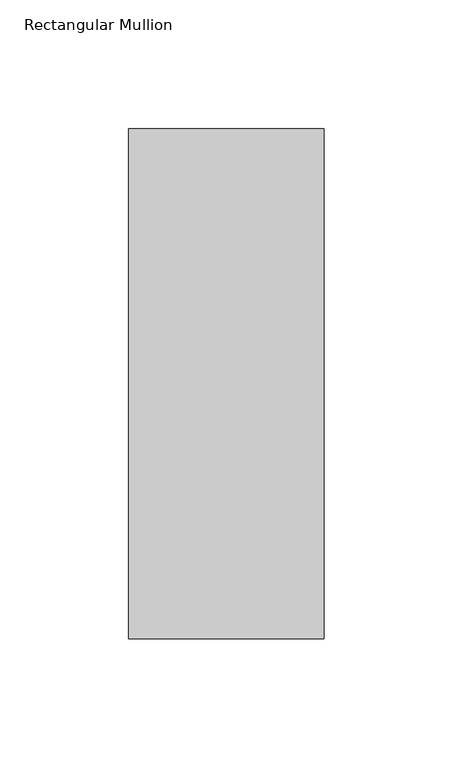
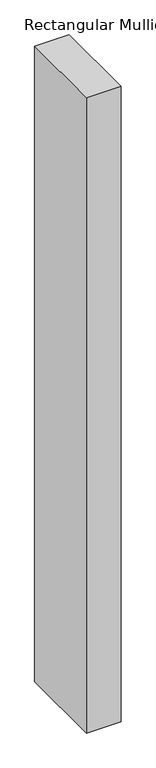
"""IFC4 building model written with IfcOpenShell, lengths in millimetres: member geometry, Rectangular Mullion."""

from ifc_helpers import new_model, si_unit, frame, origin, place, context, project, spatial, polyline, outline, extrude, source, transform, mapped, element, save


def rectangular_mullion_2b2b6ec8(model_context):
    return source(origin(), model_context, "Body", "SweptSolid", [
        extrude(outline(polyline([(38.1, -156.36875), (-38.1, -156.36875), (-38.1, 42.06875), (38.1, 42.06875), (38.1, -156.36875)])), frame((0.0, 0.0, -1485.9), z_axis=(0.0, 0.0, 1.0), x_axis=(1.0, 0.0, 0.0)), (0.0, 0.0, 1.0), 1485.9),
    ])


if __name__ == "__main__":
    model = new_model("IFC4")
    model_context = context("Model", 3, world=origin())
    ifc_project = project(units=[si_unit("LENGTHUNIT", "METRE", prefix="MILLI")], contexts=[model_context])
    site = spatial("IfcSite", under=ifc_project)
    building = spatial("IfcBuilding", under=site)
    placement = place(None, origin())
    rectangular_mullion_shape = rectangular_mullion_2b2b6ec8(model_context)
    element("IfcMember", 1, ObjectType="Rectangular Mullion", at=placement, inside=building, context=model_context, shape_type="MappedRepresentation", body=[
        mapped(rectangular_mullion_shape, transform((0.0, 0.0, 0.0), x_axis=(1.0, 0.0, 0.0), y_axis=(0.0, 1.0, 0.0), z_axis=(0.0, 0.0, 1.0))),
    ])
    save(model, "model.ifc")
